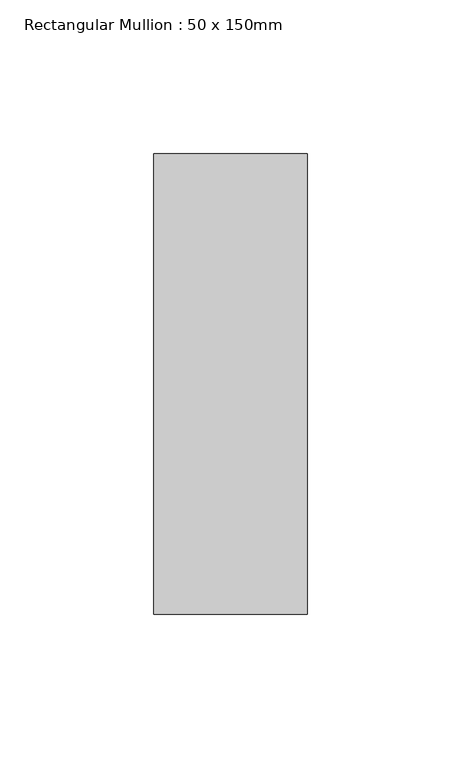
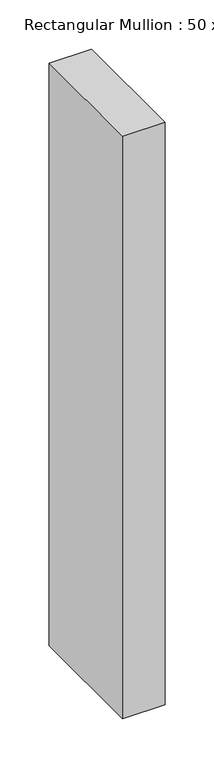
"""IFC4 building model written with IfcOpenShell, lengths in millimetres: member geometry, Rectangular Mullion : 50 x 150mm."""

from ifc_helpers import new_model, si_unit, frame, origin, place, context, project, spatial, polyline, outline, extrude, source, transform, mapped, element, save


def rectangular_mullion_50_x_150mm_532eda0d(model_context):
    return source(origin(), model_context, "Body", "SweptSolid", [
        extrude(outline(polyline([(25.0, 75.0), (25.0, -75.0), (-25.0, -75.0), (-25.0, 75.0), (25.0, 75.0)])), frame((0.0, 0.0, -725.0), z_axis=(0.0, 0.0, 1.0), x_axis=(1.0, 0.0, 0.0)), (0.0, 0.0, 1.0), 725.0),
    ])


if __name__ == "__main__":
    model = new_model("IFC4")
    model_context = context("Model", 3, world=origin())
    ifc_project = project(units=[si_unit("LENGTHUNIT", "METRE", prefix="MILLI")], contexts=[model_context])
    site = spatial("IfcSite", under=ifc_project)
    building = spatial("IfcBuilding", under=site)
    placement = place(None, origin())
    rectangular_mullion_50_x_150mm_shape = rectangular_mullion_50_x_150mm_532eda0d(model_context)
    element("IfcMember", 1, ObjectType="Rectangular Mullion : 50 x 150mm", at=placement, inside=building, context=model_context, shape_type="MappedRepresentation", body=[
        mapped(rectangular_mullion_50_x_150mm_shape, transform((0.0, 0.0, 0.0), x_axis=(1.0, 0.0, 0.0), y_axis=(0.0, 1.0, 0.0), z_axis=(0.0, 0.0, 1.0))),
    ])
    save(model, "model.ifc")
